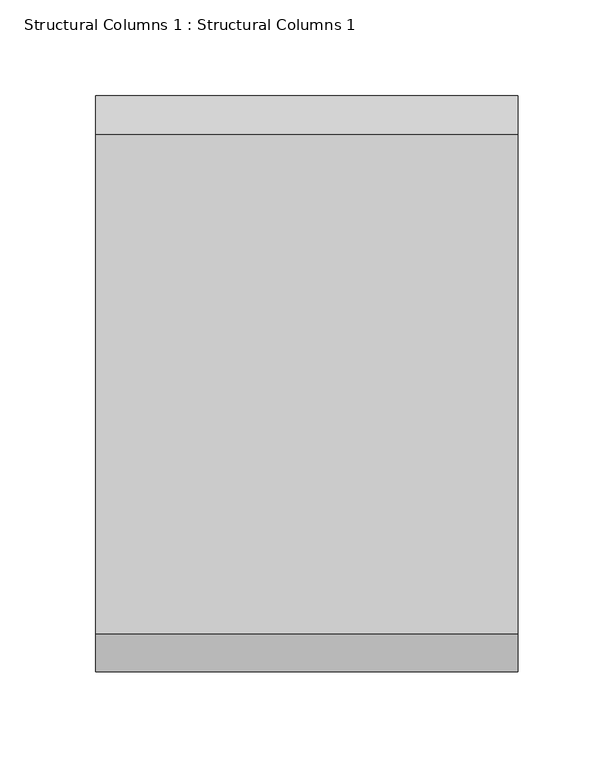
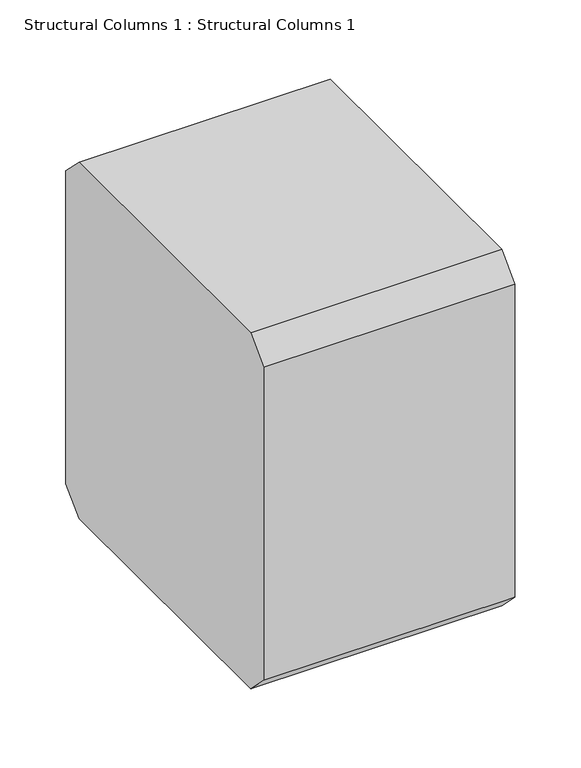
"""IFC4 building model written with IfcOpenShell, lengths in millimetres: column geometry, Structural Columns 1 : Structural Columns 1."""

import ifcopenshell
import ifcopenshell.guid

model = None  # the IFC model being written
_history = None  # IfcOwnerHistory: only IFC2X3 demands one
_inside = {}  # id of a spatial element -> (the spatial element, [elements in it])
_under = {}  # id of a project, library or spatial element -> (it, [spatial elements below it])
_declared = {}  # id of a project -> (the project, [libraries it declares])
_typed = {}  # id of a type object -> (the type object, [elements of that type])
_made_of = {}  # id of a material, layer set ... -> (it, [elements and type objects made of it])


def new_model(schema):
    """Start an empty IFC model of exactly this schema.

    Asked for "IFC4X3", IfcOpenShell would pick the latest addendum, in which some entities
    have other attributes; the version numbers below select the first issue.
    IFC2X3 requires an IfcOwnerHistory on every rooted entity: one is made here for all.
    """
    global model, _history
    if schema == "IFC4X3":
        model = ifcopenshell.file(schema_version=(4, 3, 0, 0))
    else:
        model = ifcopenshell.file(schema=schema)
    _inside.clear()
    _under.clear()
    _declared.clear()
    _typed.clear()
    _made_of.clear()
    _history = None
    if model.schema == "IFC2X3":
        org = make("IfcOrganization", Name="unknown")
        user = make(
            "IfcPersonAndOrganization",
            ThePerson=make("IfcPerson", FamilyName="unknown"),
            TheOrganization=org,
        )
        app = make(
            "IfcApplication",
            ApplicationDeveloper=org,
            Version="unknown",
            ApplicationFullName="unknown",
            ApplicationIdentifier="unknown",
        )
        _history = make(
            "IfcOwnerHistory",
            OwningUser=user,
            OwningApplication=app,
            ChangeAction="ADDED",
            CreationDate=0,
        )
    return model


def make(cls, **values):
    """One entity of the class cls with the attributes given. An attribute that is None is left unset."""
    return model.create_entity(
        cls, **{name: value for name, value in values.items() if value is not None}
    )


def rooted(cls, **values):
    """An entity with a GlobalId (a new one), such as an element, a storey or a relation."""
    return make(cls, GlobalId=ifcopenshell.guid.new(), OwnerHistory=_history, **values)


def si_unit(unit_type, name, prefix=None):
    """IfcSIUnit, for example si_unit("LENGTHUNIT", "METRE", prefix="MILLI")."""
    return make("IfcSIUnit", UnitType=unit_type, Prefix=prefix, Name=name)


def assignment(units):
    """IfcUnitAssignment: the units of a project."""
    return None if units is None else make("IfcUnitAssignment", Units=units)


def point(xyz):
    """IfcCartesianPoint."""
    return None if xyz is None else make("IfcCartesianPoint", Coordinates=xyz)


def direction(xyz):
    """IfcDirection."""
    return None if xyz is None else make("IfcDirection", DirectionRatios=xyz)


def frame(location, z_axis=None, x_axis=None):
    """IfcAxis2Placement3D, a coordinate frame: its origin and axes. An axis left out is left unset."""
    return make(
        "IfcAxis2Placement3D",
        Location=point(location),
        Axis=direction(z_axis),
        RefDirection=direction(x_axis),
    )


def origin():
    """The frame at (0, 0, 0) with its axes left unset."""
    return frame((0.0, 0.0, 0.0))


def place(relative_to, where):
    """IfcLocalPlacement: puts the frame where relative to a parent placement (None: the world)."""
    return make(
        "IfcLocalPlacement", PlacementRelTo=relative_to, RelativePlacement=where
    )


def context(
    kind, dimensions, precision=None, world=None, true_north=None, identifier=None
):
    """IfcGeometricRepresentationContext, for example the 3D "Model" context."""
    return make(
        "IfcGeometricRepresentationContext",
        ContextIdentifier=identifier,
        ContextType=kind,
        CoordinateSpaceDimension=dimensions,
        Precision=precision,
        WorldCoordinateSystem=world,
        TrueNorth=true_north,
    )


def project(units=None, contexts=None):
    """IfcProject with its units and contexts."""
    return rooted(
        "IfcProject",
        Name="project",
        RepresentationContexts=contexts,
        UnitsInContext=assignment(units),
    )


def spatial(cls, under=None, at=None, **own):
    """A site, building, storey or space (cls), placed at a placement, below another one or the project."""
    s = rooted(cls, ObjectPlacement=at, **own)
    if under is not None:
        _under.setdefault(under.id(), (under, []))[1].append(s)
    return s


def polyline(points):
    """IfcPolyline through the points."""
    return make("IfcPolyline", Points=[point(p) for p in points])


def outline(outer, holes=None, kind="AREA"):
    """IfcArbitraryClosedProfileDef: a profile drawn as a closed curve; with holes, ...WithVoids."""
    if holes is None:
        return make("IfcArbitraryClosedProfileDef", ProfileType=kind, OuterCurve=outer)
    return make(
        "IfcArbitraryProfileDefWithVoids",
        ProfileType=kind,
        OuterCurve=outer,
        InnerCurves=holes,
    )


def extrude(swept, where, along, depth):
    """IfcExtrudedAreaSolid: the profile swept, set in the frame where, extruded along a direction by depth."""
    return make(
        "IfcExtrudedAreaSolid",
        SweptArea=swept,
        Position=where,
        ExtrudedDirection=direction(along),
        Depth=depth,
    )


def shape(context_of_items, identifier, shape_type, items):
    """IfcShapeRepresentation: the items that make up one representation, for example the "Body"."""
    return make(
        "IfcShapeRepresentation",
        ContextOfItems=context_of_items,
        RepresentationIdentifier=identifier,
        RepresentationType=shape_type,
        Items=items,
    )


def source(mapping_origin, context_of_items, identifier, shape_type, items):
    """IfcRepresentationMap: a shape defined once, which mapped items show again and again."""
    return make(
        "IfcRepresentationMap",
        MappingOrigin=mapping_origin,
        MappedRepresentation=shape(context_of_items, identifier, shape_type, items),
    )


def transform(
    local_origin,
    x_axis=None,
    y_axis=None,
    z_axis=None,
    scale=None,
    scale2=None,
    scale3=None,
    uniform=True,
):
    """IfcCartesianTransformationOperator3D, or its non-uniform kind. x_axis, y_axis, z_axis: its Axis1, 2, 3."""
    if uniform:
        return make(
            "IfcCartesianTransformationOperator3D",
            Axis1=direction(x_axis),
            Axis2=direction(y_axis),
            LocalOrigin=point(local_origin),
            Scale=scale,
            Axis3=direction(z_axis),
        )
    return make(
        "IfcCartesianTransformationOperator3DnonUniform",
        Axis1=direction(x_axis),
        Axis2=direction(y_axis),
        LocalOrigin=point(local_origin),
        Scale=scale,
        Axis3=direction(z_axis),
        Scale2=scale2,
        Scale3=scale3,
    )


def mapped(mapping_source, mapping_target):
    """IfcMappedItem: shows the shape of a source again, moved by a transform."""
    return make(
        "IfcMappedItem", MappingSource=mapping_source, MappingTarget=mapping_target
    )


def made_of(thing, what):
    """Note that an element or type object is made of a material, layer set ...; save() writes the relation."""
    if what is not None:
        _made_of.setdefault(what.id(), (what, []))[1].append(thing)
    return thing


def element(
    cls,
    number,
    at=None,
    inside=None,
    cuts=None,
    type_object=None,
    material=None,
    context=None,
    identifier="Body",
    shape_type=None,
    held_by="IfcProductDefinitionShape",
    body=None,
    shapes=None,
    **own,
):
    """One element of the class cls, such as IfcWall. Its Tag is "e" and its number.

    at: its placement. inside: the storey or other place that contains it. cuts: it is an
    opening in that element (IfcRelVoidsElement). A single representation is given by context,
    identifier, shape_type and body (its items); several are given by shapes. held_by: the class
    of the entity that holds the representations. save() writes the other relations.
    """
    e = rooted(cls, Tag="e%d" % number, ObjectPlacement=at, **own)
    if body is not None:
        shapes = [shape(context, identifier, shape_type, body)]
    if shapes is not None:
        e.Representation = make(held_by, Representations=shapes)
    if inside is not None:
        _inside.setdefault(inside.id(), (inside, []))[1].append(e)
    if cuts is not None:
        rooted(
            "IfcRelVoidsElement", RelatingBuildingElement=cuts, RelatedOpeningElement=e
        )
    if type_object is not None:
        _typed.setdefault(type_object.id(), (type_object, []))[1].append(e)
    return made_of(e, material)


def aggregate(whole, parts):
    """IfcRelAggregates: a whole, such as a stair, and the parts it consists of."""
    return rooted("IfcRelAggregates", RelatingObject=whole, RelatedObjects=parts)


def save(model, path):
    """Write the relations noted so far, then the file.

    IfcRelAggregates (storeys below a building ...), IfcRelContainedInSpatialStructure (elements
    in a storey), IfcRelDefinesByType, IfcRelAssociatesMaterial and IfcRelDeclares: one each for
    every whole, place, type object, material and project.
    """
    for whole, parts in _under.values():
        aggregate(whole, parts)
    for where, things in _inside.values():
        rooted(
            "IfcRelContainedInSpatialStructure",
            RelatedElements=things,
            RelatingStructure=where,
        )
    for kind, things in _typed.values():
        rooted("IfcRelDefinesByType", RelatedObjects=things, RelatingType=kind)
    for what, things in _made_of.values():
        rooted("IfcRelAssociatesMaterial", RelatedObjects=things, RelatingMaterial=what)
    for by, libraries in _declared.values():
        rooted("IfcRelDeclares", RelatingContext=by, RelatedDefinitions=libraries)
    model.write(path)


def structural_columns_1_structural_columns_1_90c649d1(model_context):
    return source(origin(), model_context, "Body", "SweptSolid", [
        extrude(outline(polyline([(-150.0, 2630.0), (-130.0, 2650.0), (130.0, 2650.0), (150.0, 2630.0), (150.0, 2340.0), (130.0, 2320.0), (-130.0, 2320.0), (-150.0, 2340.0), (-150.0, 2630.0)])), frame((130.0, 0.0, 0.0), z_axis=(1.0, 0.0, 0.0), x_axis=(0.0, 1.0, 0.0)), (0.0, 0.0, 1.0), 220.0),
    ])


if __name__ == "__main__":
    model = new_model("IFC4")
    model_context = context("Model", 3, world=origin())
    ifc_project = project(units=[si_unit("LENGTHUNIT", "METRE", prefix="MILLI")], contexts=[model_context])
    site = spatial("IfcSite", under=ifc_project)
    building = spatial("IfcBuilding", under=site)
    placement = place(None, origin())
    structural_columns_1_structural_columns_1_shape = structural_columns_1_structural_columns_1_90c649d1(model_context)
    element("IfcColumn", 1, ObjectType="Structural Columns 1 : Structural Columns 1", at=placement, inside=building, context=model_context, shape_type="MappedRepresentation", body=[
        mapped(structural_columns_1_structural_columns_1_shape, transform((0.0, 0.0, 0.0), x_axis=(1.0, 0.0, 0.0), y_axis=(0.0, 1.0, 0.0), z_axis=(0.0, 0.0, 1.0))),
    ])
    save(model, "model.ifc")
